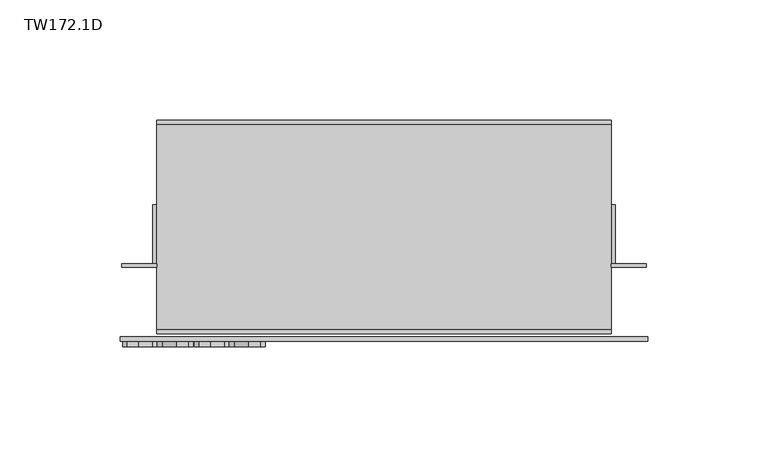
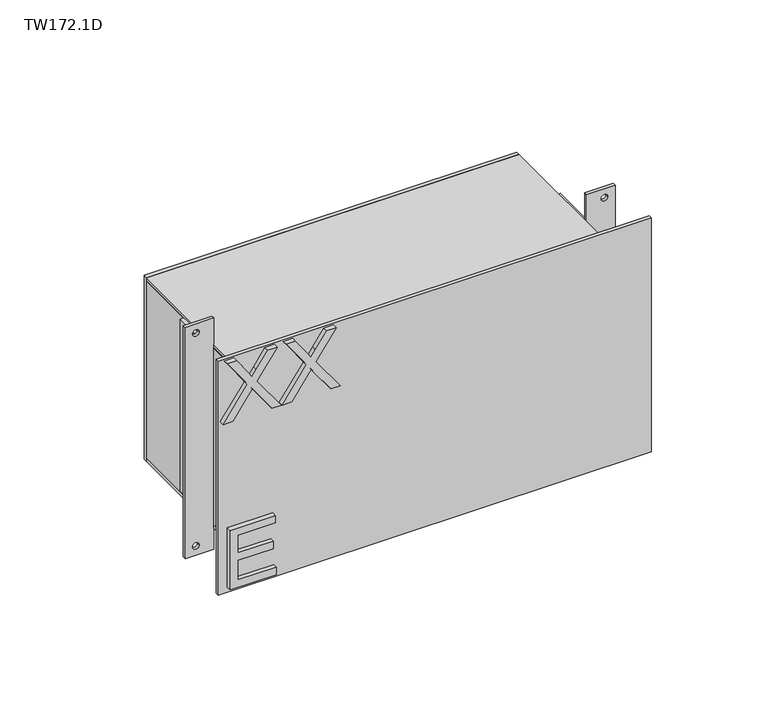
"""IFC4 building model written with IfcOpenShell, lengths in millimetres: furniture geometry, TW172.1D."""

from ifc_helpers import new_model, si_unit, point, frame, frame_2d, origin, place, context, project, spatial, polyline, circle_curve, trimmed, segment, composite_curve, outline, extrude, source, transform, mapped, element, save


def tw172_1d_f973ae0c(model_context):
    return source(origin(), model_context, "Body", "SweptSolid", [
        extrude(outline(polyline([(1965.615024, -86.6045977), (1965.615024, -63.1817963), (1969.6018838, -63.1817963), (1969.6018838, -82.6177379), (1980.0673908, -82.6177379), (1980.0673908, -64.6768688), (1984.0542507, -64.6768688), (1984.0542507, -82.6177379), (1993.5230427, -82.6177379), (1993.5230427, -63.6801538), (1997.5099025, -63.6801538), (1997.5099025, -86.6045977), (1965.615024, -86.6045977)])), frame((0.0, -30.559375, 0.0), z_axis=(0.0, 1.0, 0.0), x_axis=(0.0, 0.0, 1.0)), (0.0, 0.0, 1.0), 2.38125),
        extrude(outline(polyline([(2055.5773799, -90.0931001), (2055.5773799, -85.2419015), (2066.8994388, -77.2448214), (2069.5313892, -75.368194), (2067.1330438, -73.662877), (2055.5773799, -65.471126), (2055.5773799, -60.690009), (2072.9108758, -72.9854223), (2087.4722583, -62.6834389), (2087.4722583, -67.5346374), (2079.3583757, -73.2735352), (2076.1190521, -75.5628649), (2079.3038678, -77.5173606), (2087.4722583, -83.3185531), (2087.4722583, -88.0996701), (2072.9575968, -77.7976867), (2055.5773799, -90.0931001)])), frame((0.0, -30.559375, 0.0), z_axis=(0.0, 1.0, 0.0), x_axis=(0.0, 0.0, 1.0)), (0.0, 0.0, 1.0), 2.38125),
        extrude(outline(polyline([(2055.5773799, -60.1916515), (2055.5773799, -55.3404529), (2066.8994388, -47.3433728), (2069.5313892, -45.4667454), (2067.1330438, -43.7614284), (2055.5773799, -35.5696774), (2055.5773799, -30.7885604), (2072.9108758, -43.0839738), (2087.4722583, -32.7819903), (2087.4722583, -37.6331889), (2079.3583757, -43.3720867), (2076.1190521, -45.6614163), (2079.3038678, -47.615912), (2087.4722583, -53.4171045), (2087.4722583, -58.1982216), (2072.9575968, -47.8962381), (2055.5773799, -60.1916515)])), frame((0.0, -30.559375, 0.0), z_axis=(0.0, 1.0, 0.0), x_axis=(0.0, 0.0, 1.0)), (0.0, 0.0, 1.0), 2.38125),
        extrude(outline(polyline([(113.2435643, -25.1023438), (-75.7681545, -25.1023437), (-75.7681545, -23.5148437), (113.2435643, -23.5148437), (113.2435643, -25.1023438)])), frame((0.0, 0.0, 2060.575), z_axis=(0.0, 0.0, 1.0), x_axis=(1.0, 0.0, 0.0)), (0.0, 0.0, 1.0), 12.7),
        extrude(outline(polyline([(113.2435643, -25.1023438), (-75.7681545, -25.1023437), (-75.7681545, -23.5148437), (113.2435643, -23.5148437), (113.2435643, -25.1023438)])), frame((0.0, 0.0, 1974.85), z_axis=(0.0, 0.0, 1.0), x_axis=(1.0, 0.0, 0.0)), (0.0, 0.0, 1.0), 12.7),
        extrude(outline(polyline([(113.2435643, 63.7976562), (113.2435643, 62.0117187), (-75.7681545, 62.0117187), (-75.7681545, 63.7976562), (113.2435643, 63.7976562)])), frame((0.0, 0.0, 1974.85), z_axis=(0.0, 0.0, 1.0), x_axis=(1.0, 0.0, 0.0)), (0.0, 0.0, 1.0), 98.425),
        extrude(outline(polyline([(-73.982217, -23.5148437), (-75.7681545, -23.5148437), (-75.7681545, 62.0117188), (-73.982217, 62.0117188), (-73.982217, -23.5148437)])), frame((0.0, 0.0, 1976.6359375), z_axis=(0.0, 0.0, 1.0), x_axis=(1.0, 0.0, 0.0)), (0.0, 0.0, 1.0), 94.853125),
        extrude(outline(polyline([(113.2435643, -23.5148437), (111.4576268, -23.5148437), (111.4576268, 62.0117187), (113.2435643, 62.0117187), (113.2435643, -23.5148437)])), frame((0.0, 0.0, 1976.6359375), z_axis=(0.0, 0.0, 1.0), x_axis=(1.0, 0.0, 0.0)), (0.0, 0.0, 1.0), 94.853125),
        extrude(outline(polyline([(113.2435643, -23.5148437), (-75.7681545, -23.5148437), (-75.7681545, 62.0117188), (113.2435643, 62.0117187), (113.2435643, -23.5148437)])), frame((0.0, 0.0, 2071.4890625), z_axis=(0.0, 0.0, 1.0), x_axis=(1.0, 0.0, 0.0)), (0.0, 0.0, 1.0), 1.7859375),
        extrude(outline(polyline([(113.2435643, -23.5148437), (-75.7681545, -23.5148437), (-75.7681545, 62.0117188), (113.2435643, 62.0117187), (113.2435643, -23.5148437)])), frame((0.0, 0.0, 1974.85), z_axis=(0.0, 0.0, 1.0), x_axis=(1.0, 0.0, 0.0)), (0.0, 0.0, 1.0), 1.7859375),
        extrude(outline(polyline([(-75.7681545, 28.6742188), (-75.7681545, 4.0679688), (-77.554092, 4.0679688), (-77.554092, 28.6742188), (-75.7681545, 28.6742188)])), frame((0.0, 0.0, 1979.6125), z_axis=(0.0, 0.0, 1.0), x_axis=(1.0, 0.0, 0.0)), (0.0, 0.0, 1.0), 92.1742188),
        extrude(outline(polyline([(115.0295018, 28.6742188), (115.0295018, 4.0679688), (113.2435643, 4.0679688), (113.2435643, 28.6742188), (115.0295018, 28.6742188)])), frame((0.0, 0.0, 1979.6125), z_axis=(0.0, 0.0, 1.0), x_axis=(1.0, 0.0, 0.0)), (0.0, 0.0, 1.0), 92.1742188),
        extrude(outline(polyline([(2087.6617187, -75.7681545), (2087.6617187, -90.3533107), (1963.7375, -90.3533107), (1963.7375, -75.7681545), (2087.6617187, -75.7681545)]), holes=[composite_curve([segment(trimmed(circle_curve(frame_2d((2082.8, -84.8962795)), 1.6867188), [point((2082.8, -86.5829982))], [point((2082.8, -83.2095607))], True, "CARTESIAN"), True, "CONTINUOUS"), segment(trimmed(circle_curve(frame_2d((2082.8, -84.8962795)), 1.6867188), [point((2082.8, -83.2095607))], [point((2082.8, -86.5829982))], True, "CARTESIAN"), True, "CONTINUOUS")], self_intersect=False), composite_curve([segment(trimmed(circle_curve(frame_2d((1968.5992188, -84.8962795)), 1.6867188), [point((1968.5992188, -86.5829982))], [point((1968.5992188, -83.2095607))], True, "CARTESIAN"), True, "CONTINUOUS"), segment(trimmed(circle_curve(frame_2d((1968.5992188, -84.8962795)), 1.6867188), [point((1968.5992188, -83.2095607))], [point((1968.5992188, -86.5829982))], True, "CARTESIAN"), True, "CONTINUOUS")], self_intersect=False)]), frame((0.0, 2.4804688, 0.0), z_axis=(0.0, 1.0, 0.0), x_axis=(0.0, 0.0, 1.0)), (0.0, 0.0, 1.0), 1.5875),
        extrude(outline(polyline([(2087.6617187, 127.8287205), (2087.6617187, 113.2435643), (1963.7375, 113.2435643), (1963.7375, 127.8287205), (2087.6617187, 127.8287205)]), holes=[composite_curve([segment(trimmed(circle_curve(frame_2d((2082.8, 122.3716893)), 1.6867188), [point((2082.8, 120.6849705))], [point((2082.8, 124.058408))], True, "CARTESIAN"), True, "CONTINUOUS"), segment(trimmed(circle_curve(frame_2d((2082.8, 122.3716893)), 1.6867188), [point((2082.8, 124.058408))], [point((2082.8, 120.6849705))], True, "CARTESIAN"), True, "CONTINUOUS")], self_intersect=False), composite_curve([segment(trimmed(circle_curve(frame_2d((1968.5992188, 122.3716893)), 1.6867188), [point((1968.5992188, 120.6849705))], [point((1968.5992188, 124.058408))], True, "CARTESIAN"), True, "CONTINUOUS"), segment(trimmed(circle_curve(frame_2d((1968.5992188, 122.3716893)), 1.6867188), [point((1968.5992188, 124.058408))], [point((1968.5992188, 120.6849705))], True, "CARTESIAN"), True, "CONTINUOUS")], self_intersect=False)]), frame((0.0, 2.4804688, 0.0), z_axis=(0.0, 1.0, 0.0), x_axis=(0.0, 0.0, 1.0)), (0.0, 0.0, 1.0), 1.5875),
        extrude(outline(polyline([(128.5728612, -28.178125), (-91.0974513, -28.178125), (-91.0974513, -26.2929687), (128.5728612, -26.2929687), (128.5728612, -28.178125)])), frame((0.0, 0.0, 1962.94375), z_axis=(0.0, 0.0, 1.0), x_axis=(1.0, 0.0, 0.0)), (0.0, 0.0, 1.0), 125.5117188),
    ])


if __name__ == "__main__":
    model = new_model("IFC4")
    model_context = context("Model", 3, world=origin())
    ifc_project = project(units=[si_unit("LENGTHUNIT", "METRE", prefix="MILLI")], contexts=[model_context])
    site = spatial("IfcSite", under=ifc_project)
    building = spatial("IfcBuilding", under=site)
    placement = place(None, origin())
    tw172_1d_shape = tw172_1d_f973ae0c(model_context)
    element("IfcFurniture", 1, ObjectType="TW172.1D", at=placement, inside=building, context=model_context, shape_type="MappedRepresentation", body=[
        mapped(tw172_1d_shape, transform((0.0, 0.0, 0.0), x_axis=(1.0, 0.0, 0.0), y_axis=(0.0, 1.0, 0.0), z_axis=(0.0, 0.0, 1.0))),
    ])
    save(model, "model.ifc")
